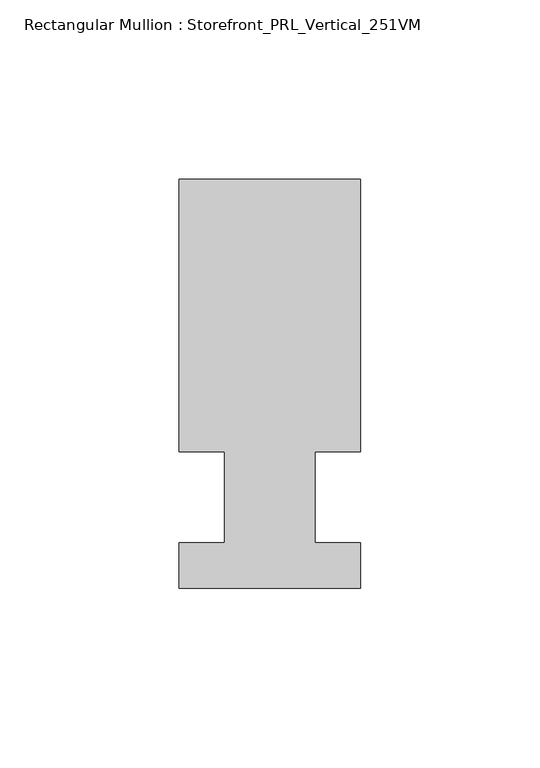
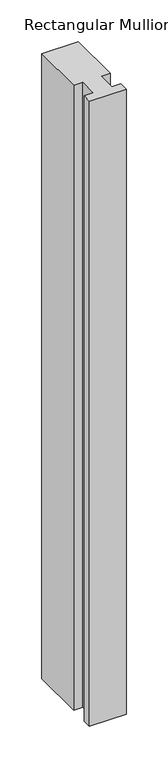
"""IFC4 building model written with IfcOpenShell, lengths in millimetres: member geometry, Rectangular Mullion : Storefront_PRL_Vertical_251VM."""

from ifc_helpers import new_model, si_unit, frame, origin, place, context, project, spatial, polyline, outline, extrude, source, transform, mapped, element, save


def rectangular_mullion_storefront_prl_vertical_251vm_1ad64e64(model_context):
    return source(origin(), model_context, "Body", "SweptSolid", [
        extrude(outline(polyline([(-12.7, 12.7), (-25.4, 12.7), (-25.4, 88.9), (25.4, 88.9), (25.4, 12.7), (12.7, 12.7), (12.7, -12.7), (25.4, -12.7), (25.4, -25.4), (-25.4, -25.4), (-25.4, -12.7), (-12.7, -12.7), (-12.7, 12.7)])), frame((0.0, 0.0, -914.4), z_axis=(0.0, 0.0, 1.0), x_axis=(1.0, 0.0, 0.0)), (0.0, 0.0, 1.0), 914.4),
    ])


if __name__ == "__main__":
    model = new_model("IFC4")
    model_context = context("Model", 3, world=origin())
    ifc_project = project(units=[si_unit("LENGTHUNIT", "METRE", prefix="MILLI")], contexts=[model_context])
    site = spatial("IfcSite", under=ifc_project)
    building = spatial("IfcBuilding", under=site)
    placement = place(None, origin())
    rectangular_mullion_storefront_prl_vertical_251vm_shape = rectangular_mullion_storefront_prl_vertical_251vm_1ad64e64(model_context)
    element("IfcMember", 1, ObjectType="Rectangular Mullion : Storefront_PRL_Vertical_251VM", at=placement, inside=building, context=model_context, shape_type="MappedRepresentation", body=[
        mapped(rectangular_mullion_storefront_prl_vertical_251vm_shape, transform((0.0, 0.0, 0.0), x_axis=(1.0, 0.0, 0.0), y_axis=(0.0, 1.0, 0.0), z_axis=(0.0, 0.0, 1.0))),
    ])
    save(model, "model.ifc")
